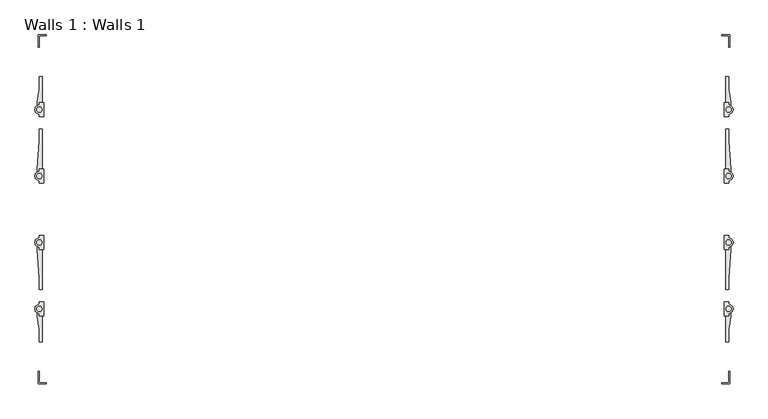
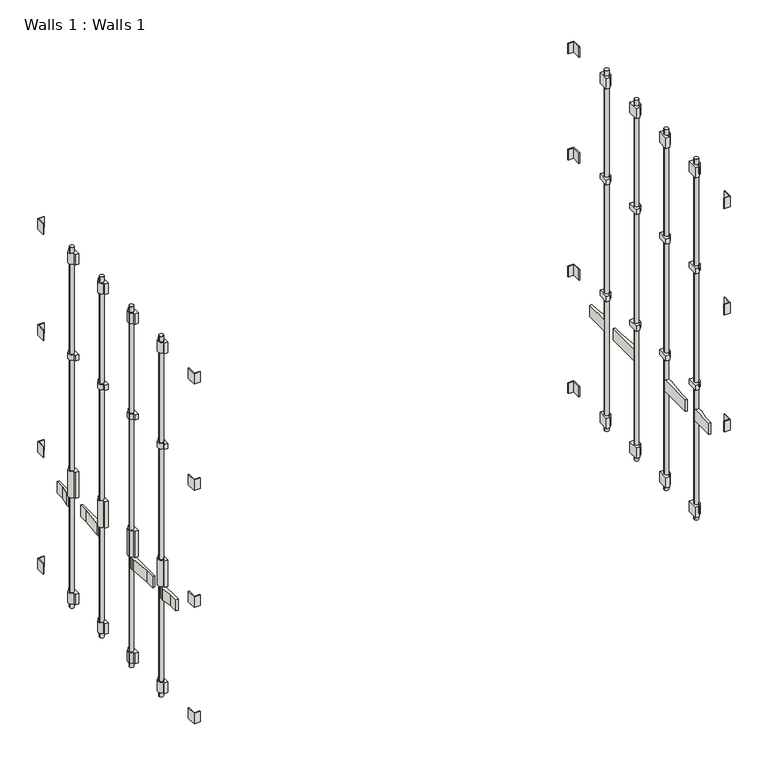
"""IFC4 building model written with IfcOpenShell, lengths in millimetres: wall geometry, Walls 1 : Walls 1."""

from ifc_helpers import new_model, si_unit, point, frame, frame_2d, origin, place, context, project, spatial, polyline, circle_curve, trimmed, segment, composite_curve, outline, extrude, source, transform, mapped, element, save


def walls_1_walls_1_5a351513(model_context):
    return source(origin(), model_context, "Body", "SweptSolid", [
        extrude(outline(polyline([(-3537.5690288, 1770.4764778), (-3537.5690288, 1535.5264778), (-3571.5194116, 1535.5264778), (-3571.5194116, 1567.2764778), (-3571.5194116, 1587.4991633), (-3556.6190288, 1681.5764778), (-3556.6190288, 1770.4764778), (-3537.5690288, 1770.4764778)])), frame((0.0, 0.0, 1041.4), z_axis=(0.0, 0.0, 1.0), x_axis=(1.0, 0.0, 0.0)), (0.0, 0.0, 1.0), 110.0666667),
        extrude(outline(polyline([(-3537.5690288, 1397.9431444), (-3537.5690288, 1061.3931444), (-3571.5194116, 1061.3931444), (-3571.5194116, 1093.1431444), (-3571.5194116, 1113.36583), (-3556.6190288, 1309.0431444), (-3556.6190288, 1397.9431444), (-3537.5690288, 1397.9431444)])), frame((0.0, 0.0, 1041.4), z_axis=(0.0, 0.0, 1.0), x_axis=(1.0, 0.0, 0.0)), (0.0, 0.0, 1.0), 110.0666667),
        extrude(outline(polyline([(-3537.5690288, -121.8235222), (-3556.6190288, -121.8235222), (-3556.6190288, -32.9235222), (-3571.5194116, 61.1537922), (-3571.5194116, 81.3764778), (-3571.5194116, 113.1264778), (-3537.5690288, 113.1264778), (-3537.5690288, -121.8235222)])), frame((0.0, 0.0, 1041.4), z_axis=(0.0, 0.0, 1.0), x_axis=(1.0, 0.0, 0.0)), (0.0, 0.0, 1.0), 110.0666667),
        extrude(outline(polyline([(-3537.5690288, 250.7098111), (-3556.6190288, 250.7098111), (-3556.6190288, 339.6098111), (-3571.5194116, 535.2871255), (-3571.5194116, 555.5098111), (-3571.5194116, 587.2598111), (-3537.5690288, 587.2598111), (-3537.5690288, 250.7098111)])), frame((0.0, 0.0, 1041.4), z_axis=(0.0, 0.0, 1.0), x_axis=(1.0, 0.0, 0.0)), (0.0, 0.0, 1.0), 110.0666667),
        extrude(outline(polyline([(1339.2309712, 1770.4764778), (1358.2809712, 1770.4764778), (1358.2809712, 1681.5764778), (1373.181354, 1587.4991633), (1373.181354, 1567.2764778), (1373.181354, 1535.5264778), (1339.2309712, 1535.5264778), (1339.2309712, 1770.4764778)])), frame((0.0, 0.0, 1041.4), z_axis=(0.0, 0.0, 1.0), x_axis=(1.0, 0.0, 0.0)), (0.0, 0.0, 1.0), 110.0666667),
        extrude(outline(polyline([(1339.2309712, 1397.9431444), (1358.2809712, 1397.9431444), (1358.2809712, 1309.0431444), (1373.181354, 1113.36583), (1373.181354, 1093.1431444), (1373.181354, 1061.3931444), (1339.2309712, 1061.3931444), (1339.2309712, 1397.9431444)])), frame((0.0, 0.0, 1041.4), z_axis=(0.0, 0.0, 1.0), x_axis=(1.0, 0.0, 0.0)), (0.0, 0.0, 1.0), 110.0666667),
        extrude(outline(polyline([(1339.2309712, -121.8235222), (1339.2309712, 113.1264778), (1373.181354, 113.1264778), (1373.181354, 81.3764778), (1373.181354, 61.1537922), (1358.2809712, -32.9235222), (1358.2809712, -121.8235222), (1339.2309712, -121.8235222)])), frame((0.0, 0.0, 1041.4), z_axis=(0.0, 0.0, 1.0), x_axis=(1.0, 0.0, 0.0)), (0.0, 0.0, 1.0), 110.0666667),
        extrude(outline(polyline([(1339.2309712, 250.7098111), (1339.2309712, 587.2598111), (1373.181354, 587.2598111), (1373.181354, 555.5098111), (1373.181354, 535.2871255), (1358.2809712, 339.6098111), (1358.2809712, 250.7098111), (1339.2309712, 250.7098111)])), frame((0.0, 0.0, 1041.4), z_axis=(0.0, 0.0, 1.0), x_axis=(1.0, 0.0, 0.0)), (0.0, 0.0, 1.0), 110.0666667),
        extrude(outline(composite_curve([segment(polyline([(1358.2809712, 1586.3264778), (1358.2809712, 1567.2764778)]), True, "CONTINUOUS"), segment(trimmed(circle_curve(frame_2d((1358.2809712, 1535.5264778)), 31.75), [point((1358.2809712, 1567.2764778))], [point((1358.2809712, 1503.7764778))], False, "CARTESIAN"), True, "CONTINUOUS"), segment(polyline([(1358.2809712, 1503.7764778), (1358.2809712, 1484.7264778), (1325.760587, 1484.7264778), (1325.760587, 1586.3264778), (1358.2809712, 1586.3264778)]), True, "CONTINUOUS")], self_intersect=False), holes=[composite_curve([segment(trimmed(circle_curve(frame_2d((1358.2809712, 1535.5264778)), 19.05), [point((1339.2309712, 1535.5264778))], [point((1377.3309712, 1535.5264778))], True, "CARTESIAN"), True, "CONTINUOUS"), segment(trimmed(circle_curve(frame_2d((1358.2809712, 1535.5264778)), 19.05), [point((1377.3309712, 1535.5264778))], [point((1339.2309712, 1535.5264778))], True, "CARTESIAN"), True, "CONTINUOUS")], self_intersect=False)]), frame((0.0, 0.0, 2497.6666667), z_axis=(0.0, 0.0, 1.0), x_axis=(1.0, 0.0, 0.0)), (0.0, 0.0, 1.0), 50.8),
        extrude(outline(composite_curve([segment(polyline([(1358.2809712, 1112.1931444), (1358.2809712, 1093.1431444)]), True, "CONTINUOUS"), segment(trimmed(circle_curve(frame_2d((1358.2809712, 1061.3931444)), 31.75), [point((1358.2809712, 1093.1431444))], [point((1358.2809712, 1029.6431444))], False, "CARTESIAN"), True, "CONTINUOUS"), segment(polyline([(1358.2809712, 1029.6431444), (1358.2809712, 1010.5931444), (1325.760587, 1010.5931444), (1325.760587, 1112.1931444), (1358.2809712, 1112.1931444)]), True, "CONTINUOUS")], self_intersect=False), holes=[composite_curve([segment(trimmed(circle_curve(frame_2d((1358.2809712, 1061.3931444)), 19.05), [point((1339.2309712, 1061.3931444))], [point((1377.3309712, 1061.3931444))], True, "CARTESIAN"), True, "CONTINUOUS"), segment(trimmed(circle_curve(frame_2d((1358.2809712, 1061.3931444)), 19.05), [point((1377.3309712, 1061.3931444))], [point((1339.2309712, 1061.3931444))], True, "CARTESIAN"), True, "CONTINUOUS")], self_intersect=False)]), frame((0.0, 0.0, 2497.6666667), z_axis=(0.0, 0.0, 1.0), x_axis=(1.0, 0.0, 0.0)), (0.0, 0.0, 1.0), 50.8),
        extrude(outline(composite_curve([segment(polyline([(1358.2809712, 638.0598111), (1358.2809712, 619.0098111)]), True, "CONTINUOUS"), segment(trimmed(circle_curve(frame_2d((1358.2809712, 587.2598111)), 31.75), [point((1358.2809712, 619.0098111))], [point((1358.2809712, 555.5098111))], False, "CARTESIAN"), True, "CONTINUOUS"), segment(polyline([(1358.2809712, 555.5098111), (1358.2809712, 536.4598111), (1325.760587, 536.4598111), (1325.760587, 638.0598111), (1358.2809712, 638.0598111)]), True, "CONTINUOUS")], self_intersect=False), holes=[composite_curve([segment(trimmed(circle_curve(frame_2d((1358.2809712, 587.2598111)), 19.05), [point((1339.2309712, 587.2598111))], [point((1377.3309712, 587.2598111))], True, "CARTESIAN"), True, "CONTINUOUS"), segment(trimmed(circle_curve(frame_2d((1358.2809712, 587.2598111)), 19.05), [point((1377.3309712, 587.2598111))], [point((1339.2309712, 587.2598111))], True, "CARTESIAN"), True, "CONTINUOUS")], self_intersect=False)]), frame((0.0, 0.0, 2497.6666667), z_axis=(0.0, 0.0, 1.0), x_axis=(1.0, 0.0, 0.0)), (0.0, 0.0, 1.0), 50.8),
        extrude(outline(composite_curve([segment(polyline([(1358.2809712, 163.9264778), (1358.2809712, 144.8764778)]), True, "CONTINUOUS"), segment(trimmed(circle_curve(frame_2d((1358.2809712, 113.1264778)), 31.75), [point((1358.2809712, 144.8764778))], [point((1358.2809712, 81.3764778))], False, "CARTESIAN"), True, "CONTINUOUS"), segment(polyline([(1358.2809712, 81.3764778), (1358.2809712, 62.3264778), (1325.760587, 62.3264778), (1325.760587, 163.9264778), (1358.2809712, 163.9264778)]), True, "CONTINUOUS")], self_intersect=False), holes=[composite_curve([segment(trimmed(circle_curve(frame_2d((1358.2809712, 113.1264778)), 19.05), [point((1339.2309712, 113.1264778))], [point((1377.3309712, 113.1264778))], True, "CARTESIAN"), True, "CONTINUOUS"), segment(trimmed(circle_curve(frame_2d((1358.2809712, 113.1264778)), 19.05), [point((1377.3309712, 113.1264778))], [point((1339.2309712, 113.1264778))], True, "CARTESIAN"), True, "CONTINUOUS")], self_intersect=False)]), frame((0.0, 0.0, 2497.6666667), z_axis=(0.0, 0.0, 1.0), x_axis=(1.0, 0.0, 0.0)), (0.0, 0.0, 1.0), 50.8),
        extrude(outline(composite_curve([segment(polyline([(1358.2809712, 1586.3264778), (1358.2809712, 1567.2764778)]), True, "CONTINUOUS"), segment(trimmed(circle_curve(frame_2d((1358.2809712, 1535.5264778)), 31.75), [point((1358.2809712, 1567.2764778))], [point((1358.2809712, 1503.7764778))], False, "CARTESIAN"), True, "CONTINUOUS"), segment(polyline([(1358.2809712, 1503.7764778), (1358.2809712, 1484.7264778), (1325.760587, 1484.7264778), (1325.760587, 1586.3264778), (1358.2809712, 1586.3264778)]), True, "CONTINUOUS")], self_intersect=False), holes=[composite_curve([segment(trimmed(circle_curve(frame_2d((1358.2809712, 1535.5264778)), 19.05), [point((1339.2309712, 1535.5264778))], [point((1377.3309712, 1535.5264778))], True, "CARTESIAN"), True, "CONTINUOUS"), segment(trimmed(circle_curve(frame_2d((1358.2809712, 1535.5264778)), 19.05), [point((1377.3309712, 1535.5264778))], [point((1339.2309712, 1535.5264778))], True, "CARTESIAN"), True, "CONTINUOUS")], self_intersect=False)]), frame((0.0, 0.0, 1363.1333333), z_axis=(0.0, 0.0, 1.0), x_axis=(1.0, 0.0, 0.0)), (0.0, 0.0, 1.0), 50.8),
        extrude(outline(composite_curve([segment(polyline([(1358.2809712, 1112.1931444), (1358.2809712, 1093.1431444)]), True, "CONTINUOUS"), segment(trimmed(circle_curve(frame_2d((1358.2809712, 1061.3931444)), 31.75), [point((1358.2809712, 1093.1431444))], [point((1358.2809712, 1029.6431444))], False, "CARTESIAN"), True, "CONTINUOUS"), segment(polyline([(1358.2809712, 1029.6431444), (1358.2809712, 1010.5931444), (1325.760587, 1010.5931444), (1325.760587, 1112.1931444), (1358.2809712, 1112.1931444)]), True, "CONTINUOUS")], self_intersect=False), holes=[composite_curve([segment(trimmed(circle_curve(frame_2d((1358.2809712, 1061.3931444)), 19.05), [point((1339.2309712, 1061.3931444))], [point((1377.3309712, 1061.3931444))], True, "CARTESIAN"), True, "CONTINUOUS"), segment(trimmed(circle_curve(frame_2d((1358.2809712, 1061.3931444)), 19.05), [point((1377.3309712, 1061.3931444))], [point((1339.2309712, 1061.3931444))], True, "CARTESIAN"), True, "CONTINUOUS")], self_intersect=False)]), frame((0.0, 0.0, 1363.1333333), z_axis=(0.0, 0.0, 1.0), x_axis=(1.0, 0.0, 0.0)), (0.0, 0.0, 1.0), 50.8),
        extrude(outline(composite_curve([segment(polyline([(1358.2809712, 638.0598111), (1358.2809712, 619.0098111)]), True, "CONTINUOUS"), segment(trimmed(circle_curve(frame_2d((1358.2809712, 587.2598111)), 31.75), [point((1358.2809712, 619.0098111))], [point((1358.2809712, 555.5098111))], False, "CARTESIAN"), True, "CONTINUOUS"), segment(polyline([(1358.2809712, 555.5098111), (1358.2809712, 536.4598111), (1325.760587, 536.4598111), (1325.760587, 638.0598111), (1358.2809712, 638.0598111)]), True, "CONTINUOUS")], self_intersect=False), holes=[composite_curve([segment(trimmed(circle_curve(frame_2d((1358.2809712, 587.2598111)), 19.05), [point((1339.2309712, 587.2598111))], [point((1377.3309712, 587.2598111))], True, "CARTESIAN"), True, "CONTINUOUS"), segment(trimmed(circle_curve(frame_2d((1358.2809712, 587.2598111)), 19.05), [point((1377.3309712, 587.2598111))], [point((1339.2309712, 587.2598111))], True, "CARTESIAN"), True, "CONTINUOUS")], self_intersect=False)]), frame((0.0, 0.0, 1363.1333333), z_axis=(0.0, 0.0, 1.0), x_axis=(1.0, 0.0, 0.0)), (0.0, 0.0, 1.0), 50.8),
        extrude(outline(composite_curve([segment(polyline([(1358.2809712, 163.9264778), (1358.2809712, 144.8764778)]), True, "CONTINUOUS"), segment(trimmed(circle_curve(frame_2d((1358.2809712, 113.1264778)), 31.75), [point((1358.2809712, 144.8764778))], [point((1358.2809712, 81.3764778))], False, "CARTESIAN"), True, "CONTINUOUS"), segment(polyline([(1358.2809712, 81.3764778), (1358.2809712, 62.3264778), (1325.760587, 62.3264778), (1325.760587, 163.9264778), (1358.2809712, 163.9264778)]), True, "CONTINUOUS")], self_intersect=False), holes=[composite_curve([segment(trimmed(circle_curve(frame_2d((1358.2809712, 113.1264778)), 19.05), [point((1339.2309712, 113.1264778))], [point((1377.3309712, 113.1264778))], True, "CARTESIAN"), True, "CONTINUOUS"), segment(trimmed(circle_curve(frame_2d((1358.2809712, 113.1264778)), 19.05), [point((1377.3309712, 113.1264778))], [point((1339.2309712, 113.1264778))], True, "CARTESIAN"), True, "CONTINUOUS")], self_intersect=False)]), frame((0.0, 0.0, 1363.1333333), z_axis=(0.0, 0.0, 1.0), x_axis=(1.0, 0.0, 0.0)), (0.0, 0.0, 1.0), 50.8),
        extrude(outline(composite_curve([segment(polyline([(-3556.6190288, 1586.3264778), (-3524.0986446, 1586.3264778), (-3524.0986446, 1484.7264778), (-3556.6190288, 1484.7264778), (-3556.6190288, 1503.7764778)]), True, "CONTINUOUS"), segment(trimmed(circle_curve(frame_2d((-3556.6190288, 1535.5264778)), 31.75), [point((-3556.6190288, 1503.7764778))], [point((-3556.6190288, 1567.2764778))], False, "CARTESIAN"), True, "CONTINUOUS"), segment(polyline([(-3556.6190288, 1567.2764778), (-3556.6190288, 1586.3264778)]), True, "CONTINUOUS")], self_intersect=False), holes=[composite_curve([segment(trimmed(circle_curve(frame_2d((-3556.6190288, 1535.5264778)), 19.05), [point((-3537.5690288, 1535.5264778))], [point((-3575.6690288, 1535.5264778))], True, "CARTESIAN"), True, "CONTINUOUS"), segment(trimmed(circle_curve(frame_2d((-3556.6190288, 1535.5264778)), 19.05), [point((-3575.6690288, 1535.5264778))], [point((-3537.5690288, 1535.5264778))], True, "CARTESIAN"), True, "CONTINUOUS")], self_intersect=False)]), frame((0.0, 0.0, 1159.9333333), z_axis=(0.0, 0.0, 1.0), x_axis=(1.0, 0.0, 0.0)), (0.0, 0.0, 1.0), 254.0),
        extrude(outline(composite_curve([segment(polyline([(-3556.6190288, 1112.1931444), (-3524.0986446, 1112.1931444), (-3524.0986446, 1010.5931444), (-3556.6190288, 1010.5931444), (-3556.6190288, 1029.6431444)]), True, "CONTINUOUS"), segment(trimmed(circle_curve(frame_2d((-3556.6190288, 1061.3931444)), 31.75), [point((-3556.6190288, 1029.6431444))], [point((-3556.6190288, 1093.1431444))], False, "CARTESIAN"), True, "CONTINUOUS"), segment(polyline([(-3556.6190288, 1093.1431444), (-3556.6190288, 1112.1931444)]), True, "CONTINUOUS")], self_intersect=False), holes=[composite_curve([segment(trimmed(circle_curve(frame_2d((-3556.6190288, 1061.3931444)), 19.05), [point((-3537.5690288, 1061.3931444))], [point((-3575.6690288, 1061.3931444))], True, "CARTESIAN"), True, "CONTINUOUS"), segment(trimmed(circle_curve(frame_2d((-3556.6190288, 1061.3931444)), 19.05), [point((-3575.6690288, 1061.3931444))], [point((-3537.5690288, 1061.3931444))], True, "CARTESIAN"), True, "CONTINUOUS")], self_intersect=False)]), frame((0.0, 0.0, 1159.9333333), z_axis=(0.0, 0.0, 1.0), x_axis=(1.0, 0.0, 0.0)), (0.0, 0.0, 1.0), 254.0),
        extrude(outline(composite_curve([segment(polyline([(-3556.6190288, 638.0598111), (-3524.0986446, 638.0598111), (-3524.0986446, 536.4598111), (-3556.6190288, 536.4598111), (-3556.6190288, 555.5098111)]), True, "CONTINUOUS"), segment(trimmed(circle_curve(frame_2d((-3556.6190288, 587.2598111)), 31.75), [point((-3556.6190288, 555.5098111))], [point((-3556.6190288, 619.0098111))], False, "CARTESIAN"), True, "CONTINUOUS"), segment(polyline([(-3556.6190288, 619.0098111), (-3556.6190288, 638.0598111)]), True, "CONTINUOUS")], self_intersect=False), holes=[composite_curve([segment(trimmed(circle_curve(frame_2d((-3556.6190288, 587.2598111)), 19.05), [point((-3537.5690288, 587.2598111))], [point((-3575.6690288, 587.2598111))], True, "CARTESIAN"), True, "CONTINUOUS"), segment(trimmed(circle_curve(frame_2d((-3556.6190288, 587.2598111)), 19.05), [point((-3575.6690288, 587.2598111))], [point((-3537.5690288, 587.2598111))], True, "CARTESIAN"), True, "CONTINUOUS")], self_intersect=False)]), frame((0.0, 0.0, 1159.9333333), z_axis=(0.0, 0.0, 1.0), x_axis=(1.0, 0.0, 0.0)), (0.0, 0.0, 1.0), 254.0),
        extrude(outline(composite_curve([segment(polyline([(-3556.6190288, 163.9264778), (-3524.0986446, 163.9264778), (-3524.0986446, 62.3264778), (-3556.6190288, 62.3264778), (-3556.6190288, 81.3764778)]), True, "CONTINUOUS"), segment(trimmed(circle_curve(frame_2d((-3556.6190288, 113.1264778)), 31.75), [point((-3556.6190288, 81.3764778))], [point((-3556.6190288, 144.8764778))], False, "CARTESIAN"), True, "CONTINUOUS"), segment(polyline([(-3556.6190288, 144.8764778), (-3556.6190288, 163.9264778)]), True, "CONTINUOUS")], self_intersect=False), holes=[composite_curve([segment(trimmed(circle_curve(frame_2d((-3556.6190288, 113.1264778)), 19.05), [point((-3537.5690288, 113.1264778))], [point((-3575.6690288, 113.1264778))], True, "CARTESIAN"), True, "CONTINUOUS"), segment(trimmed(circle_curve(frame_2d((-3556.6190288, 113.1264778)), 19.05), [point((-3575.6690288, 113.1264778))], [point((-3537.5690288, 113.1264778))], True, "CARTESIAN"), True, "CONTINUOUS")], self_intersect=False)]), frame((0.0, 0.0, 1159.9333333), z_axis=(0.0, 0.0, 1.0), x_axis=(1.0, 0.0, 0.0)), (0.0, 0.0, 1.0), 254.0),
        extrude(outline(composite_curve([segment(polyline([(-3556.6190288, 1586.3264778), (-3524.0986446, 1586.3264778), (-3524.0986446, 1484.7264778), (-3556.6190288, 1484.7264778), (-3556.6190288, 1503.7764778)]), True, "CONTINUOUS"), segment(trimmed(circle_curve(frame_2d((-3556.6190288, 1535.5264778)), 31.75), [point((-3556.6190288, 1503.7764778))], [point((-3556.6190288, 1567.2764778))], False, "CARTESIAN"), True, "CONTINUOUS"), segment(polyline([(-3556.6190288, 1567.2764778), (-3556.6190288, 1586.3264778)]), True, "CONTINUOUS")], self_intersect=False), holes=[composite_curve([segment(trimmed(circle_curve(frame_2d((-3556.6190288, 1535.5264778)), 19.05), [point((-3537.5690288, 1535.5264778))], [point((-3575.6690288, 1535.5264778))], True, "CARTESIAN"), True, "CONTINUOUS"), segment(trimmed(circle_curve(frame_2d((-3556.6190288, 1535.5264778)), 19.05), [point((-3575.6690288, 1535.5264778))], [point((-3537.5690288, 1535.5264778))], True, "CARTESIAN"), True, "CONTINUOUS")], self_intersect=False)]), frame((0.0, 0.0, 2497.6666667), z_axis=(0.0, 0.0, 1.0), x_axis=(1.0, 0.0, 0.0)), (0.0, 0.0, 1.0), 50.8),
        extrude(outline(composite_curve([segment(polyline([(-3556.6190288, 1112.1931444), (-3524.0986446, 1112.1931444), (-3524.0986446, 1010.5931444), (-3556.6190288, 1010.5931444), (-3556.6190288, 1029.6431444)]), True, "CONTINUOUS"), segment(trimmed(circle_curve(frame_2d((-3556.6190288, 1061.3931444)), 31.75), [point((-3556.6190288, 1029.6431444))], [point((-3556.6190288, 1093.1431444))], False, "CARTESIAN"), True, "CONTINUOUS"), segment(polyline([(-3556.6190288, 1093.1431444), (-3556.6190288, 1112.1931444)]), True, "CONTINUOUS")], self_intersect=False), holes=[composite_curve([segment(trimmed(circle_curve(frame_2d((-3556.6190288, 1061.3931444)), 19.05), [point((-3537.5690288, 1061.3931444))], [point((-3575.6690288, 1061.3931444))], True, "CARTESIAN"), True, "CONTINUOUS"), segment(trimmed(circle_curve(frame_2d((-3556.6190288, 1061.3931444)), 19.05), [point((-3575.6690288, 1061.3931444))], [point((-3537.5690288, 1061.3931444))], True, "CARTESIAN"), True, "CONTINUOUS")], self_intersect=False)]), frame((0.0, 0.0, 2497.6666667), z_axis=(0.0, 0.0, 1.0), x_axis=(1.0, 0.0, 0.0)), (0.0, 0.0, 1.0), 50.8),
        extrude(outline(composite_curve([segment(polyline([(-3556.6190288, 638.0598111), (-3524.0986446, 638.0598111), (-3524.0986446, 536.4598111), (-3556.6190288, 536.4598111), (-3556.6190288, 555.5098111)]), True, "CONTINUOUS"), segment(trimmed(circle_curve(frame_2d((-3556.6190288, 587.2598111)), 31.75), [point((-3556.6190288, 555.5098111))], [point((-3556.6190288, 619.0098111))], False, "CARTESIAN"), True, "CONTINUOUS"), segment(polyline([(-3556.6190288, 619.0098111), (-3556.6190288, 638.0598111)]), True, "CONTINUOUS")], self_intersect=False), holes=[composite_curve([segment(trimmed(circle_curve(frame_2d((-3556.6190288, 587.2598111)), 19.05), [point((-3537.5690288, 587.2598111))], [point((-3575.6690288, 587.2598111))], True, "CARTESIAN"), True, "CONTINUOUS"), segment(trimmed(circle_curve(frame_2d((-3556.6190288, 587.2598111)), 19.05), [point((-3575.6690288, 587.2598111))], [point((-3537.5690288, 587.2598111))], True, "CARTESIAN"), True, "CONTINUOUS")], self_intersect=False)]), frame((0.0, 0.0, 2497.6666667), z_axis=(0.0, 0.0, 1.0), x_axis=(1.0, 0.0, 0.0)), (0.0, 0.0, 1.0), 50.8),
        extrude(outline(composite_curve([segment(polyline([(-3556.6190288, 163.9264778), (-3524.0986446, 163.9264778), (-3524.0986446, 62.3264778), (-3556.6190288, 62.3264778), (-3556.6190288, 81.3764778)]), True, "CONTINUOUS"), segment(trimmed(circle_curve(frame_2d((-3556.6190288, 113.1264778)), 31.75), [point((-3556.6190288, 81.3764778))], [point((-3556.6190288, 144.8764778))], False, "CARTESIAN"), True, "CONTINUOUS"), segment(polyline([(-3556.6190288, 144.8764778), (-3556.6190288, 163.9264778)]), True, "CONTINUOUS")], self_intersect=False), holes=[composite_curve([segment(trimmed(circle_curve(frame_2d((-3556.6190288, 113.1264778)), 19.05), [point((-3537.5690288, 113.1264778))], [point((-3575.6690288, 113.1264778))], True, "CARTESIAN"), True, "CONTINUOUS"), segment(trimmed(circle_curve(frame_2d((-3556.6190288, 113.1264778)), 19.05), [point((-3575.6690288, 113.1264778))], [point((-3537.5690288, 113.1264778))], True, "CARTESIAN"), True, "CONTINUOUS")], self_intersect=False)]), frame((0.0, 0.0, 2497.6666667), z_axis=(0.0, 0.0, 1.0), x_axis=(1.0, 0.0, 0.0)), (0.0, 0.0, 1.0), 50.8),
        extrude(outline(composite_curve([segment(polyline([(-3556.6190288, 1586.3264778), (-3524.0986446, 1586.3264778), (-3524.0986446, 1484.7264778), (-3556.6190288, 1484.7264778), (-3556.6190288, 1503.7764778)]), True, "CONTINUOUS"), segment(trimmed(circle_curve(frame_2d((-3556.6190288, 1535.5264778)), 31.75), [point((-3556.6190288, 1503.7764778))], [point((-3556.6190288, 1567.2764778))], False, "CARTESIAN"), True, "CONTINUOUS"), segment(polyline([(-3556.6190288, 1567.2764778), (-3556.6190288, 1586.3264778)]), True, "CONTINUOUS")], self_intersect=False), holes=[composite_curve([segment(trimmed(circle_curve(frame_2d((-3556.6190288, 1535.5264778)), 19.05), [point((-3537.5690288, 1535.5264778))], [point((-3575.6690288, 1535.5264778))], True, "CARTESIAN"), True, "CONTINUOUS"), segment(trimmed(circle_curve(frame_2d((-3556.6190288, 1535.5264778)), 19.05), [point((-3575.6690288, 1535.5264778))], [point((-3537.5690288, 1535.5264778))], True, "CARTESIAN"), True, "CONTINUOUS")], self_intersect=False)]), frame((0.0, 0.0, 3429.0), z_axis=(0.0, 0.0, 1.0), x_axis=(1.0, 0.0, 0.0)), (0.0, 0.0, 1.0), 101.6),
        extrude(outline(composite_curve([segment(polyline([(-3556.6190288, 1112.1931444), (-3524.0986446, 1112.1931444), (-3524.0986446, 1010.5931444), (-3556.6190288, 1010.5931444), (-3556.6190288, 1029.6431444)]), True, "CONTINUOUS"), segment(trimmed(circle_curve(frame_2d((-3556.6190288, 1061.3931444)), 31.75), [point((-3556.6190288, 1029.6431444))], [point((-3556.6190288, 1093.1431444))], False, "CARTESIAN"), True, "CONTINUOUS"), segment(polyline([(-3556.6190288, 1093.1431444), (-3556.6190288, 1112.1931444)]), True, "CONTINUOUS")], self_intersect=False), holes=[composite_curve([segment(trimmed(circle_curve(frame_2d((-3556.6190288, 1061.3931444)), 19.05), [point((-3537.5690288, 1061.3931444))], [point((-3575.6690288, 1061.3931444))], True, "CARTESIAN"), True, "CONTINUOUS"), segment(trimmed(circle_curve(frame_2d((-3556.6190288, 1061.3931444)), 19.05), [point((-3575.6690288, 1061.3931444))], [point((-3537.5690288, 1061.3931444))], True, "CARTESIAN"), True, "CONTINUOUS")], self_intersect=False)]), frame((0.0, 0.0, 3429.0), z_axis=(0.0, 0.0, 1.0), x_axis=(1.0, 0.0, 0.0)), (0.0, 0.0, 1.0), 101.6),
        extrude(outline(composite_curve([segment(polyline([(-3556.6190288, 638.0598111), (-3524.0986446, 638.0598111), (-3524.0986446, 536.4598111), (-3556.6190288, 536.4598111), (-3556.6190288, 555.5098111)]), True, "CONTINUOUS"), segment(trimmed(circle_curve(frame_2d((-3556.6190288, 587.2598111)), 31.75), [point((-3556.6190288, 555.5098111))], [point((-3556.6190288, 619.0098111))], False, "CARTESIAN"), True, "CONTINUOUS"), segment(polyline([(-3556.6190288, 619.0098111), (-3556.6190288, 638.0598111)]), True, "CONTINUOUS")], self_intersect=False), holes=[composite_curve([segment(trimmed(circle_curve(frame_2d((-3556.6190288, 587.2598111)), 19.05), [point((-3537.5690288, 587.2598111))], [point((-3575.6690288, 587.2598111))], True, "CARTESIAN"), True, "CONTINUOUS"), segment(trimmed(circle_curve(frame_2d((-3556.6190288, 587.2598111)), 19.05), [point((-3575.6690288, 587.2598111))], [point((-3537.5690288, 587.2598111))], True, "CARTESIAN"), True, "CONTINUOUS")], self_intersect=False)]), frame((0.0, 0.0, 3429.0), z_axis=(0.0, 0.0, 1.0), x_axis=(1.0, 0.0, 0.0)), (0.0, 0.0, 1.0), 101.6),
        extrude(outline(composite_curve([segment(polyline([(-3556.6190288, 163.9264778), (-3524.0986446, 163.9264778), (-3524.0986446, 62.3264778), (-3556.6190288, 62.3264778), (-3556.6190288, 81.3764778)]), True, "CONTINUOUS"), segment(trimmed(circle_curve(frame_2d((-3556.6190288, 113.1264778)), 31.75), [point((-3556.6190288, 81.3764778))], [point((-3556.6190288, 144.8764778))], False, "CARTESIAN"), True, "CONTINUOUS"), segment(polyline([(-3556.6190288, 144.8764778), (-3556.6190288, 163.9264778)]), True, "CONTINUOUS")], self_intersect=False), holes=[composite_curve([segment(trimmed(circle_curve(frame_2d((-3556.6190288, 113.1264778)), 19.05), [point((-3537.5690288, 113.1264778))], [point((-3575.6690288, 113.1264778))], True, "CARTESIAN"), True, "CONTINUOUS"), segment(trimmed(circle_curve(frame_2d((-3556.6190288, 113.1264778)), 19.05), [point((-3575.6690288, 113.1264778))], [point((-3537.5690288, 113.1264778))], True, "CARTESIAN"), True, "CONTINUOUS")], self_intersect=False)]), frame((0.0, 0.0, 3429.0), z_axis=(0.0, 0.0, 1.0), x_axis=(1.0, 0.0, 0.0)), (0.0, 0.0, 1.0), 101.6),
        extrude(outline(composite_curve([segment(polyline([(-3556.6190288, 1586.3264778), (-3524.0986446, 1586.3264778), (-3524.0986446, 1484.7264778), (-3556.6190288, 1484.7264778), (-3556.6190288, 1503.7764778)]), True, "CONTINUOUS"), segment(trimmed(circle_curve(frame_2d((-3556.6190288, 1535.5264778)), 31.75), [point((-3556.6190288, 1503.7764778))], [point((-3556.6190288, 1567.2764778))], False, "CARTESIAN"), True, "CONTINUOUS"), segment(polyline([(-3556.6190288, 1567.2764778), (-3556.6190288, 1586.3264778)]), True, "CONTINUOUS")], self_intersect=False), holes=[composite_curve([segment(trimmed(circle_curve(frame_2d((-3556.6190288, 1535.5264778)), 19.05), [point((-3537.5690288, 1535.5264778))], [point((-3575.6690288, 1535.5264778))], True, "CARTESIAN"), True, "CONTINUOUS"), segment(trimmed(circle_curve(frame_2d((-3556.6190288, 1535.5264778)), 19.05), [point((-3575.6690288, 1535.5264778))], [point((-3537.5690288, 1535.5264778))], True, "CARTESIAN"), True, "CONTINUOUS")], self_intersect=False)]), frame((0.0, 0.0, 127.0), z_axis=(0.0, 0.0, 1.0), x_axis=(1.0, 0.0, 0.0)), (0.0, 0.0, 1.0), 101.6),
        extrude(outline(composite_curve([segment(polyline([(-3556.6190288, 1112.1931444), (-3524.0986446, 1112.1931444), (-3524.0986446, 1010.5931444), (-3556.6190288, 1010.5931444), (-3556.6190288, 1029.6431444)]), True, "CONTINUOUS"), segment(trimmed(circle_curve(frame_2d((-3556.6190288, 1061.3931444)), 31.75), [point((-3556.6190288, 1029.6431444))], [point((-3556.6190288, 1093.1431444))], False, "CARTESIAN"), True, "CONTINUOUS"), segment(polyline([(-3556.6190288, 1093.1431444), (-3556.6190288, 1112.1931444)]), True, "CONTINUOUS")], self_intersect=False), holes=[composite_curve([segment(trimmed(circle_curve(frame_2d((-3556.6190288, 1061.3931444)), 19.05), [point((-3537.5690288, 1061.3931444))], [point((-3575.6690288, 1061.3931444))], True, "CARTESIAN"), True, "CONTINUOUS"), segment(trimmed(circle_curve(frame_2d((-3556.6190288, 1061.3931444)), 19.05), [point((-3575.6690288, 1061.3931444))], [point((-3537.5690288, 1061.3931444))], True, "CARTESIAN"), True, "CONTINUOUS")], self_intersect=False)]), frame((0.0, 0.0, 127.0), z_axis=(0.0, 0.0, 1.0), x_axis=(1.0, 0.0, 0.0)), (0.0, 0.0, 1.0), 101.6),
        extrude(outline(composite_curve([segment(polyline([(-3556.6190288, 638.0598111), (-3524.0986446, 638.0598111), (-3524.0986446, 536.4598111), (-3556.6190288, 536.4598111), (-3556.6190288, 555.5098111)]), True, "CONTINUOUS"), segment(trimmed(circle_curve(frame_2d((-3556.6190288, 587.2598111)), 31.75), [point((-3556.6190288, 555.5098111))], [point((-3556.6190288, 619.0098111))], False, "CARTESIAN"), True, "CONTINUOUS"), segment(polyline([(-3556.6190288, 619.0098111), (-3556.6190288, 638.0598111)]), True, "CONTINUOUS")], self_intersect=False), holes=[composite_curve([segment(trimmed(circle_curve(frame_2d((-3556.6190288, 587.2598111)), 19.05), [point((-3537.5690288, 587.2598111))], [point((-3575.6690288, 587.2598111))], True, "CARTESIAN"), True, "CONTINUOUS"), segment(trimmed(circle_curve(frame_2d((-3556.6190288, 587.2598111)), 19.05), [point((-3575.6690288, 587.2598111))], [point((-3537.5690288, 587.2598111))], True, "CARTESIAN"), True, "CONTINUOUS")], self_intersect=False)]), frame((0.0, 0.0, 127.0), z_axis=(0.0, 0.0, 1.0), x_axis=(1.0, 0.0, 0.0)), (0.0, 0.0, 1.0), 101.6),
        extrude(outline(composite_curve([segment(polyline([(-3556.6190288, 163.9264778), (-3524.0986446, 163.9264778), (-3524.0986446, 62.3264778), (-3556.6190288, 62.3264778), (-3556.6190288, 81.3764778)]), True, "CONTINUOUS"), segment(trimmed(circle_curve(frame_2d((-3556.6190288, 113.1264778)), 31.75), [point((-3556.6190288, 81.3764778))], [point((-3556.6190288, 144.8764778))], False, "CARTESIAN"), True, "CONTINUOUS"), segment(polyline([(-3556.6190288, 144.8764778), (-3556.6190288, 163.9264778)]), True, "CONTINUOUS")], self_intersect=False), holes=[composite_curve([segment(trimmed(circle_curve(frame_2d((-3556.6190288, 113.1264778)), 19.05), [point((-3537.5690288, 113.1264778))], [point((-3575.6690288, 113.1264778))], True, "CARTESIAN"), True, "CONTINUOUS"), segment(trimmed(circle_curve(frame_2d((-3556.6190288, 113.1264778)), 19.05), [point((-3575.6690288, 113.1264778))], [point((-3537.5690288, 113.1264778))], True, "CARTESIAN"), True, "CONTINUOUS")], self_intersect=False)]), frame((0.0, 0.0, 127.0), z_axis=(0.0, 0.0, 1.0), x_axis=(1.0, 0.0, 0.0)), (0.0, 0.0, 1.0), 101.6),
        extrude(outline(composite_curve([segment(polyline([(1358.2809712, 1586.3264778), (1358.2809712, 1567.2764778)]), True, "CONTINUOUS"), segment(trimmed(circle_curve(frame_2d((1358.2809712, 1535.5264778)), 31.75), [point((1358.2809712, 1567.2764778))], [point((1358.2809712, 1503.7764778))], False, "CARTESIAN"), True, "CONTINUOUS"), segment(polyline([(1358.2809712, 1503.7764778), (1358.2809712, 1484.7264778), (1325.760587, 1484.7264778), (1325.760587, 1586.3264778), (1358.2809712, 1586.3264778)]), True, "CONTINUOUS")], self_intersect=False), holes=[composite_curve([segment(trimmed(circle_curve(frame_2d((1358.2809712, 1535.5264778)), 19.05), [point((1339.2309712, 1535.5264778))], [point((1377.3309712, 1535.5264778))], True, "CARTESIAN"), True, "CONTINUOUS"), segment(trimmed(circle_curve(frame_2d((1358.2809712, 1535.5264778)), 19.05), [point((1377.3309712, 1535.5264778))], [point((1339.2309712, 1535.5264778))], True, "CARTESIAN"), True, "CONTINUOUS")], self_intersect=False)]), frame((0.0, 0.0, 3429.0), z_axis=(0.0, 0.0, 1.0), x_axis=(1.0, 0.0, 0.0)), (0.0, 0.0, 1.0), 101.6),
        extrude(outline(composite_curve([segment(polyline([(1358.2809712, 1112.1931444), (1358.2809712, 1093.1431444)]), True, "CONTINUOUS"), segment(trimmed(circle_curve(frame_2d((1358.2809712, 1061.3931444)), 31.75), [point((1358.2809712, 1093.1431444))], [point((1358.2809712, 1029.6431444))], False, "CARTESIAN"), True, "CONTINUOUS"), segment(polyline([(1358.2809712, 1029.6431444), (1358.2809712, 1010.5931444), (1325.760587, 1010.5931444), (1325.760587, 1112.1931444), (1358.2809712, 1112.1931444)]), True, "CONTINUOUS")], self_intersect=False), holes=[composite_curve([segment(trimmed(circle_curve(frame_2d((1358.2809712, 1061.3931444)), 19.05), [point((1339.2309712, 1061.3931444))], [point((1377.3309712, 1061.3931444))], True, "CARTESIAN"), True, "CONTINUOUS"), segment(trimmed(circle_curve(frame_2d((1358.2809712, 1061.3931444)), 19.05), [point((1377.3309712, 1061.3931444))], [point((1339.2309712, 1061.3931444))], True, "CARTESIAN"), True, "CONTINUOUS")], self_intersect=False)]), frame((0.0, 0.0, 3429.0), z_axis=(0.0, 0.0, 1.0), x_axis=(1.0, 0.0, 0.0)), (0.0, 0.0, 1.0), 101.6),
        extrude(outline(composite_curve([segment(polyline([(1358.2809712, 638.0598111), (1358.2809712, 619.0098111)]), True, "CONTINUOUS"), segment(trimmed(circle_curve(frame_2d((1358.2809712, 587.2598111)), 31.75), [point((1358.2809712, 619.0098111))], [point((1358.2809712, 555.5098111))], False, "CARTESIAN"), True, "CONTINUOUS"), segment(polyline([(1358.2809712, 555.5098111), (1358.2809712, 536.4598111), (1325.760587, 536.4598111), (1325.760587, 638.0598111), (1358.2809712, 638.0598111)]), True, "CONTINUOUS")], self_intersect=False), holes=[composite_curve([segment(trimmed(circle_curve(frame_2d((1358.2809712, 587.2598111)), 19.05), [point((1339.2309712, 587.2598111))], [point((1377.3309712, 587.2598111))], True, "CARTESIAN"), True, "CONTINUOUS"), segment(trimmed(circle_curve(frame_2d((1358.2809712, 587.2598111)), 19.05), [point((1377.3309712, 587.2598111))], [point((1339.2309712, 587.2598111))], True, "CARTESIAN"), True, "CONTINUOUS")], self_intersect=False)]), frame((0.0, 0.0, 3429.0), z_axis=(0.0, 0.0, 1.0), x_axis=(1.0, 0.0, 0.0)), (0.0, 0.0, 1.0), 101.6),
        extrude(outline(composite_curve([segment(polyline([(1358.2809712, 163.9264778), (1358.2809712, 144.8764778)]), True, "CONTINUOUS"), segment(trimmed(circle_curve(frame_2d((1358.2809712, 113.1264778)), 31.75), [point((1358.2809712, 144.8764778))], [point((1358.2809712, 81.3764778))], False, "CARTESIAN"), True, "CONTINUOUS"), segment(polyline([(1358.2809712, 81.3764778), (1358.2809712, 62.3264778), (1325.760587, 62.3264778), (1325.760587, 163.9264778), (1358.2809712, 163.9264778)]), True, "CONTINUOUS")], self_intersect=False), holes=[composite_curve([segment(trimmed(circle_curve(frame_2d((1358.2809712, 113.1264778)), 19.05), [point((1339.2309712, 113.1264778))], [point((1377.3309712, 113.1264778))], True, "CARTESIAN"), True, "CONTINUOUS"), segment(trimmed(circle_curve(frame_2d((1358.2809712, 113.1264778)), 19.05), [point((1377.3309712, 113.1264778))], [point((1339.2309712, 113.1264778))], True, "CARTESIAN"), True, "CONTINUOUS")], self_intersect=False)]), frame((0.0, 0.0, 3429.0), z_axis=(0.0, 0.0, 1.0), x_axis=(1.0, 0.0, 0.0)), (0.0, 0.0, 1.0), 101.6),
        extrude(outline(composite_curve([segment(polyline([(1358.2809712, 1586.3264778), (1358.2809712, 1567.2764778)]), True, "CONTINUOUS"), segment(trimmed(circle_curve(frame_2d((1358.2809712, 1535.5264778)), 31.75), [point((1358.2809712, 1567.2764778))], [point((1358.2809712, 1503.7764778))], False, "CARTESIAN"), True, "CONTINUOUS"), segment(polyline([(1358.2809712, 1503.7764778), (1358.2809712, 1484.7264778), (1325.760587, 1484.7264778), (1325.760587, 1586.3264778), (1358.2809712, 1586.3264778)]), True, "CONTINUOUS")], self_intersect=False), holes=[composite_curve([segment(trimmed(circle_curve(frame_2d((1358.2809712, 1535.5264778)), 19.05), [point((1339.2309712, 1535.5264778))], [point((1377.3309712, 1535.5264778))], True, "CARTESIAN"), True, "CONTINUOUS"), segment(trimmed(circle_curve(frame_2d((1358.2809712, 1535.5264778)), 19.05), [point((1377.3309712, 1535.5264778))], [point((1339.2309712, 1535.5264778))], True, "CARTESIAN"), True, "CONTINUOUS")], self_intersect=False)]), frame((0.0, 0.0, 127.0), z_axis=(0.0, 0.0, 1.0), x_axis=(1.0, 0.0, 0.0)), (0.0, 0.0, 1.0), 101.6),
        extrude(outline(composite_curve([segment(polyline([(1358.2809712, 1112.1931444), (1358.2809712, 1093.1431444)]), True, "CONTINUOUS"), segment(trimmed(circle_curve(frame_2d((1358.2809712, 1061.3931444)), 31.75), [point((1358.2809712, 1093.1431444))], [point((1358.2809712, 1029.6431444))], False, "CARTESIAN"), True, "CONTINUOUS"), segment(polyline([(1358.2809712, 1029.6431444), (1358.2809712, 1010.5931444), (1325.760587, 1010.5931444), (1325.760587, 1112.1931444), (1358.2809712, 1112.1931444)]), True, "CONTINUOUS")], self_intersect=False), holes=[composite_curve([segment(trimmed(circle_curve(frame_2d((1358.2809712, 1061.3931444)), 19.05), [point((1339.2309712, 1061.3931444))], [point((1377.3309712, 1061.3931444))], True, "CARTESIAN"), True, "CONTINUOUS"), segment(trimmed(circle_curve(frame_2d((1358.2809712, 1061.3931444)), 19.05), [point((1377.3309712, 1061.3931444))], [point((1339.2309712, 1061.3931444))], True, "CARTESIAN"), True, "CONTINUOUS")], self_intersect=False)]), frame((0.0, 0.0, 127.0), z_axis=(0.0, 0.0, 1.0), x_axis=(1.0, 0.0, 0.0)), (0.0, 0.0, 1.0), 101.6),
        extrude(outline(composite_curve([segment(polyline([(1358.2809712, 638.0598111), (1358.2809712, 619.0098111)]), True, "CONTINUOUS"), segment(trimmed(circle_curve(frame_2d((1358.2809712, 587.2598111)), 31.75), [point((1358.2809712, 619.0098111))], [point((1358.2809712, 555.5098111))], False, "CARTESIAN"), True, "CONTINUOUS"), segment(polyline([(1358.2809712, 555.5098111), (1358.2809712, 536.4598111), (1325.760587, 536.4598111), (1325.760587, 638.0598111), (1358.2809712, 638.0598111)]), True, "CONTINUOUS")], self_intersect=False), holes=[composite_curve([segment(trimmed(circle_curve(frame_2d((1358.2809712, 587.2598111)), 19.05), [point((1339.2309712, 587.2598111))], [point((1377.3309712, 587.2598111))], True, "CARTESIAN"), True, "CONTINUOUS"), segment(trimmed(circle_curve(frame_2d((1358.2809712, 587.2598111)), 19.05), [point((1377.3309712, 587.2598111))], [point((1339.2309712, 587.2598111))], True, "CARTESIAN"), True, "CONTINUOUS")], self_intersect=False)]), frame((0.0, 0.0, 127.0), z_axis=(0.0, 0.0, 1.0), x_axis=(1.0, 0.0, 0.0)), (0.0, 0.0, 1.0), 101.6),
        extrude(outline(composite_curve([segment(polyline([(1358.2809712, 163.9264778), (1358.2809712, 144.8764778)]), True, "CONTINUOUS"), segment(trimmed(circle_curve(frame_2d((1358.2809712, 113.1264778)), 31.75), [point((1358.2809712, 144.8764778))], [point((1358.2809712, 81.3764778))], False, "CARTESIAN"), True, "CONTINUOUS"), segment(polyline([(1358.2809712, 81.3764778), (1358.2809712, 62.3264778), (1325.760587, 62.3264778), (1325.760587, 163.9264778), (1358.2809712, 163.9264778)]), True, "CONTINUOUS")], self_intersect=False), holes=[composite_curve([segment(trimmed(circle_curve(frame_2d((1358.2809712, 113.1264778)), 19.05), [point((1339.2309712, 113.1264778))], [point((1377.3309712, 113.1264778))], True, "CARTESIAN"), True, "CONTINUOUS"), segment(trimmed(circle_curve(frame_2d((1358.2809712, 113.1264778)), 19.05), [point((1377.3309712, 113.1264778))], [point((1339.2309712, 113.1264778))], True, "CARTESIAN"), True, "CONTINUOUS")], self_intersect=False)]), frame((0.0, 0.0, 127.0), z_axis=(0.0, 0.0, 1.0), x_axis=(1.0, 0.0, 0.0)), (0.0, 0.0, 1.0), 101.6),
        extrude(outline(composite_curve([segment(trimmed(circle_curve(frame_2d((-3556.6190288, 587.2598111)), 19.05), [point((-3537.5690288, 587.2598111))], [point((-3575.6690288, 587.2598111))], False, "CARTESIAN"), True, "CONTINUOUS"), segment(trimmed(circle_curve(frame_2d((-3556.6190288, 587.2598111)), 19.05), [point((-3575.6690288, 587.2598111))], [point((-3537.5690288, 587.2598111))], False, "CARTESIAN"), True, "CONTINUOUS")], self_intersect=False)), frame((0.0, 0.0, 76.2), z_axis=(0.0, 0.0, 1.0), x_axis=(1.0, 0.0, 0.0)), (0.0, 0.0, 1.0), 3505.2),
        extrude(outline(composite_curve([segment(trimmed(circle_curve(frame_2d((-3556.6190288, 113.1264778)), 19.05), [point((-3537.5690288, 113.1264778))], [point((-3575.6690288, 113.1264778))], False, "CARTESIAN"), True, "CONTINUOUS"), segment(trimmed(circle_curve(frame_2d((-3556.6190288, 113.1264778)), 19.05), [point((-3575.6690288, 113.1264778))], [point((-3537.5690288, 113.1264778))], False, "CARTESIAN"), True, "CONTINUOUS")], self_intersect=False)), frame((0.0, 0.0, 76.2), z_axis=(0.0, 0.0, 1.0), x_axis=(1.0, 0.0, 0.0)), (0.0, 0.0, 1.0), 3505.2),
        extrude(outline(composite_curve([segment(trimmed(circle_curve(frame_2d((-3556.6190288, 1061.3931444)), 19.05), [point((-3537.5690288, 1061.3931444))], [point((-3575.6690288, 1061.3931444))], False, "CARTESIAN"), True, "CONTINUOUS"), segment(trimmed(circle_curve(frame_2d((-3556.6190288, 1061.3931444)), 19.05), [point((-3575.6690288, 1061.3931444))], [point((-3537.5690288, 1061.3931444))], False, "CARTESIAN"), True, "CONTINUOUS")], self_intersect=False)), frame((0.0, 0.0, 76.2), z_axis=(0.0, 0.0, 1.0), x_axis=(1.0, 0.0, 0.0)), (0.0, 0.0, 1.0), 3505.2),
        extrude(outline(composite_curve([segment(trimmed(circle_curve(frame_2d((-3556.6190288, 1535.5264778)), 19.05), [point((-3537.5690288, 1535.5264778))], [point((-3575.6690288, 1535.5264778))], False, "CARTESIAN"), True, "CONTINUOUS"), segment(trimmed(circle_curve(frame_2d((-3556.6190288, 1535.5264778)), 19.05), [point((-3575.6690288, 1535.5264778))], [point((-3537.5690288, 1535.5264778))], False, "CARTESIAN"), True, "CONTINUOUS")], self_intersect=False)), frame((0.0, 0.0, 76.2), z_axis=(0.0, 0.0, 1.0), x_axis=(1.0, 0.0, 0.0)), (0.0, 0.0, 1.0), 3505.2),
        extrude(outline(composite_curve([segment(trimmed(circle_curve(frame_2d((1358.2809712, 587.2598111)), 19.05), [point((1339.2309712, 587.2598111))], [point((1377.3309712, 587.2598111))], False, "CARTESIAN"), True, "CONTINUOUS"), segment(trimmed(circle_curve(frame_2d((1358.2809712, 587.2598111)), 19.05), [point((1377.3309712, 587.2598111))], [point((1339.2309712, 587.2598111))], False, "CARTESIAN"), True, "CONTINUOUS")], self_intersect=False)), frame((0.0, 0.0, 76.2), z_axis=(0.0, 0.0, 1.0), x_axis=(1.0, 0.0, 0.0)), (0.0, 0.0, 1.0), 3505.2),
        extrude(outline(composite_curve([segment(trimmed(circle_curve(frame_2d((1358.2809712, 113.1264778)), 19.05), [point((1339.2309712, 113.1264778))], [point((1377.3309712, 113.1264778))], False, "CARTESIAN"), True, "CONTINUOUS"), segment(trimmed(circle_curve(frame_2d((1358.2809712, 113.1264778)), 19.05), [point((1377.3309712, 113.1264778))], [point((1339.2309712, 113.1264778))], False, "CARTESIAN"), True, "CONTINUOUS")], self_intersect=False)), frame((0.0, 0.0, 76.2), z_axis=(0.0, 0.0, 1.0), x_axis=(1.0, 0.0, 0.0)), (0.0, 0.0, 1.0), 3505.2),
        extrude(outline(composite_curve([segment(trimmed(circle_curve(frame_2d((1358.2809712, 1061.3931444)), 19.05), [point((1339.2309712, 1061.3931444))], [point((1377.3309712, 1061.3931444))], False, "CARTESIAN"), True, "CONTINUOUS"), segment(trimmed(circle_curve(frame_2d((1358.2809712, 1061.3931444)), 19.05), [point((1377.3309712, 1061.3931444))], [point((1339.2309712, 1061.3931444))], False, "CARTESIAN"), True, "CONTINUOUS")], self_intersect=False)), frame((0.0, 0.0, 76.2), z_axis=(0.0, 0.0, 1.0), x_axis=(1.0, 0.0, 0.0)), (0.0, 0.0, 1.0), 3505.2),
        extrude(outline(composite_curve([segment(trimmed(circle_curve(frame_2d((1358.2809712, 1535.5264778)), 19.05), [point((1339.2309712, 1535.5264778))], [point((1377.3309712, 1535.5264778))], False, "CARTESIAN"), True, "CONTINUOUS"), segment(trimmed(circle_curve(frame_2d((1358.2809712, 1535.5264778)), 19.05), [point((1377.3309712, 1535.5264778))], [point((1339.2309712, 1535.5264778))], False, "CARTESIAN"), True, "CONTINUOUS")], self_intersect=False)), frame((0.0, 0.0, 76.2), z_axis=(0.0, 0.0, 1.0), x_axis=(1.0, 0.0, 0.0)), (0.0, 0.0, 1.0), 3505.2),
        extrude(outline(polyline([(-3505.8190288, 2068.9264778), (-3505.8190288, 2062.5764778), (-3556.6190288, 2062.5764778), (-3556.6190288, 1980.0264778), (-3562.9690288, 1980.0264778), (-3562.9690288, 2068.9264778), (-3505.8190288, 2068.9264778)])), frame((0.0, 0.0, 3429.0), z_axis=(0.0, 0.0, 1.0), x_axis=(1.0, 0.0, 0.0)), (0.0, 0.0, 1.0), 101.6),
        extrude(outline(polyline([(-3505.8190288, 2068.9264778), (-3505.8190288, 2062.5764778), (-3556.6190288, 2062.5764778), (-3556.6190288, 1980.0264778), (-3562.9690288, 1980.0264778), (-3562.9690288, 2068.9264778), (-3505.8190288, 2068.9264778)])), frame((0.0, 0.0, 2396.0666667), z_axis=(0.0, 0.0, 1.0), x_axis=(1.0, 0.0, 0.0)), (0.0, 0.0, 1.0), 101.6),
        extrude(outline(polyline([(-3505.8190288, 2068.9264778), (-3505.8190288, 2062.5764778), (-3556.6190288, 2062.5764778), (-3556.6190288, 1980.0264778), (-3562.9690288, 1980.0264778), (-3562.9690288, 2068.9264778), (-3505.8190288, 2068.9264778)])), frame((0.0, 0.0, 1261.5333333), z_axis=(0.0, 0.0, 1.0), x_axis=(1.0, 0.0, 0.0)), (0.0, 0.0, 1.0), 101.6),
        extrude(outline(polyline([(-3505.8190288, 2068.9264778), (-3505.8190288, 2062.5764778), (-3556.6190288, 2062.5764778), (-3556.6190288, 1980.0264778), (-3562.9690288, 1980.0264778), (-3562.9690288, 2068.9264778), (-3505.8190288, 2068.9264778)])), frame((0.0, 0.0, 127.0), z_axis=(0.0, 0.0, 1.0), x_axis=(1.0, 0.0, 0.0)), (0.0, 0.0, 1.0), 101.6),
        extrude(outline(polyline([(1307.4809712, 2068.9264778), (1364.6309712, 2068.9264778), (1364.6309712, 1980.0264778), (1358.2809712, 1980.0264778), (1358.2809712, 2062.5764778), (1307.4809712, 2062.5764778), (1307.4809712, 2068.9264778)])), frame((0.0, 0.0, 3429.0), z_axis=(0.0, 0.0, 1.0), x_axis=(1.0, 0.0, 0.0)), (0.0, 0.0, 1.0), 101.6),
        extrude(outline(polyline([(1307.4809712, 2068.9264778), (1364.6309712, 2068.9264778), (1364.6309712, 1980.0264778), (1358.2809712, 1980.0264778), (1358.2809712, 2062.5764778), (1307.4809712, 2062.5764778), (1307.4809712, 2068.9264778)])), frame((0.0, 0.0, 2396.0666667), z_axis=(0.0, 0.0, 1.0), x_axis=(1.0, 0.0, 0.0)), (0.0, 0.0, 1.0), 101.6),
        extrude(outline(polyline([(1307.4809712, 2068.9264778), (1364.6309712, 2068.9264778), (1364.6309712, 1980.0264778), (1358.2809712, 1980.0264778), (1358.2809712, 2062.5764778), (1307.4809712, 2062.5764778), (1307.4809712, 2068.9264778)])), frame((0.0, 0.0, 1261.5333333), z_axis=(0.0, 0.0, 1.0), x_axis=(1.0, 0.0, 0.0)), (0.0, 0.0, 1.0), 101.6),
        extrude(outline(polyline([(1307.4809712, 2068.9264778), (1364.6309712, 2068.9264778), (1364.6309712, 1980.0264778), (1358.2809712, 1980.0264778), (1358.2809712, 2062.5764778), (1307.4809712, 2062.5764778), (1307.4809712, 2068.9264778)])), frame((0.0, 0.0, 127.0), z_axis=(0.0, 0.0, 1.0), x_axis=(1.0, 0.0, 0.0)), (0.0, 0.0, 1.0), 101.6),
        extrude(outline(polyline([(-3505.8190288, -420.2735222), (-3562.9690288, -420.2735222), (-3562.9690288, -331.3735222), (-3556.6190288, -331.3735222), (-3556.6190288, -413.9235222), (-3505.8190288, -413.9235222), (-3505.8190288, -420.2735222)])), frame((0.0, 0.0, 3429.0), z_axis=(0.0, 0.0, 1.0), x_axis=(1.0, 0.0, 0.0)), (0.0, 0.0, 1.0), 101.6),
        extrude(outline(polyline([(-3505.8190288, -420.2735222), (-3562.9690288, -420.2735222), (-3562.9690288, -331.3735222), (-3556.6190288, -331.3735222), (-3556.6190288, -413.9235222), (-3505.8190288, -413.9235222), (-3505.8190288, -420.2735222)])), frame((0.0, 0.0, 2396.0666667), z_axis=(0.0, 0.0, 1.0), x_axis=(1.0, 0.0, 0.0)), (0.0, 0.0, 1.0), 101.6),
        extrude(outline(polyline([(-3505.8190288, -420.2735222), (-3562.9690288, -420.2735222), (-3562.9690288, -331.3735222), (-3556.6190288, -331.3735222), (-3556.6190288, -413.9235222), (-3505.8190288, -413.9235222), (-3505.8190288, -420.2735222)])), frame((0.0, 0.0, 1261.5333333), z_axis=(0.0, 0.0, 1.0), x_axis=(1.0, 0.0, 0.0)), (0.0, 0.0, 1.0), 101.6),
        extrude(outline(polyline([(-3505.8190288, -420.2735222), (-3562.9690288, -420.2735222), (-3562.9690288, -331.3735222), (-3556.6190288, -331.3735222), (-3556.6190288, -413.9235222), (-3505.8190288, -413.9235222), (-3505.8190288, -420.2735222)])), frame((0.0, 0.0, 127.0), z_axis=(0.0, 0.0, 1.0), x_axis=(1.0, 0.0, 0.0)), (0.0, 0.0, 1.0), 101.6),
        extrude(outline(polyline([(1307.4809712, -420.2735222), (1307.4809712, -413.9235222), (1358.2809712, -413.9235222), (1358.2809712, -331.3735222), (1364.6309712, -331.3735222), (1364.6309712, -420.2735222), (1307.4809712, -420.2735222)])), frame((0.0, 0.0, 3429.0), z_axis=(0.0, 0.0, 1.0), x_axis=(1.0, 0.0, 0.0)), (0.0, 0.0, 1.0), 101.6),
        extrude(outline(polyline([(1307.4809712, -420.2735222), (1307.4809712, -413.9235222), (1358.2809712, -413.9235222), (1358.2809712, -331.3735222), (1364.6309712, -331.3735222), (1364.6309712, -420.2735222), (1307.4809712, -420.2735222)])), frame((0.0, 0.0, 2396.0666667), z_axis=(0.0, 0.0, 1.0), x_axis=(1.0, 0.0, 0.0)), (0.0, 0.0, 1.0), 101.6),
        extrude(outline(polyline([(1307.4809712, -420.2735222), (1307.4809712, -413.9235222), (1358.2809712, -413.9235222), (1358.2809712, -331.3735222), (1364.6309712, -331.3735222), (1364.6309712, -420.2735222), (1307.4809712, -420.2735222)])), frame((0.0, 0.0, 1261.5333333), z_axis=(0.0, 0.0, 1.0), x_axis=(1.0, 0.0, 0.0)), (0.0, 0.0, 1.0), 101.6),
    ])


if __name__ == "__main__":
    model = new_model("IFC4")
    model_context = context("Model", 3, world=origin())
    ifc_project = project(units=[si_unit("LENGTHUNIT", "METRE", prefix="MILLI")], contexts=[model_context])
    site = spatial("IfcSite", under=ifc_project)
    building = spatial("IfcBuilding", under=site)
    placement = place(None, origin())
    walls_1_walls_1_shape = walls_1_walls_1_5a351513(model_context)
    element("IfcWall", 1, ObjectType="Walls 1 : Walls 1", at=placement, inside=building, context=model_context, shape_type="MappedRepresentation", body=[
        mapped(walls_1_walls_1_shape, transform((0.0, 0.0, 0.0), x_axis=(1.0, 0.0, 0.0), y_axis=(0.0, 1.0, 0.0), z_axis=(0.0, 0.0, 1.0))),
    ])
    save(model, "model.ifc")
